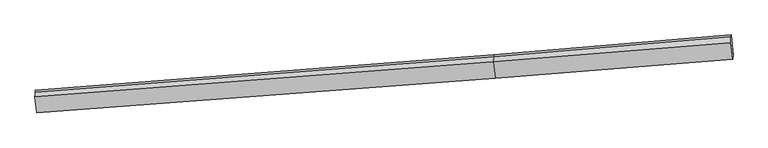
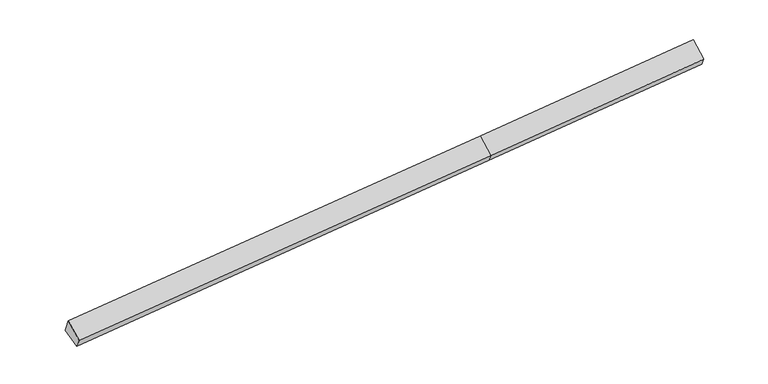
"""IFC4 building model written with IfcOpenShell, lengths in millimetres: proxy geometry."""

from ifc_helpers import new_model, si_unit, frame, origin, place, context, project, spatial, source, transform, mapped, element, save
from ifc_brep_helpers import plane_surface, spline_surface, advanced_brep


def generic_models_f710b2a6(model_context):
    return source(origin(), model_context, "Body", "AdvancedBrep", [
        advanced_brep(
        [(-13657.4720782, -2427.5300457, 1072.795019), (-13662.6651583, -2497.4482398, 1250.9489369), (2579.868561, -1231.7228639, 2210.4084973), (2585.0486087, -1161.9801356, 2032.7016721), (-13591.8815422, -3069.1858704, 812.6237435), (2651.5823104, -1812.8627154, 1768.7892373), (-13599.8321822, -3220.0816427, 1142.6087778), (2645.9895849, -1986.8253755, 2089.4213733), (-13671.2708751, -2646.2011455, 1589.0994959), (2574.550892, -1412.9448783, 2535.9120914), (11059.1358217, -1314.0648337, 2577.1977933), (11065.3295598, -1164.8982238, 2278.8699658), (10993.1368634, -458.6551131, 2565.2293563), (10987.8379491, -529.998229, 2747.0140228), (10987.6971288, -740.1843365, 3023.6885114)],
        [
            (0, 1),
            (1, 2),
            (2, 3),
            (3, 0),
            (4, 0),
            (0, 5),
            (5, 4),
            (6, 4),
            (5, 7),
            (7, 6),
            (8, 6),
            (7, 9),
            (9, 8),
            (1, 8),
            (9, 2),
            (10, 11),
            (11, 12),
            (12, 13),
            (13, 14),
            (14, 10),
            (3, 5),
            (5, 11),
            (10, 7),
            (3, 12),
            (2, 13),
            (9, 14),
        ],
        [
            plane_surface(frame((-13660.0686182, -2462.4891428, 1161.8719779), z_axis=(-0.09363931226590659, 0.9277125565144049, 0.36136005822984274), x_axis=(-0.02712453625313753, -0.365197249605248, 0.9305349152040532))),
            plane_surface(frame((-13624.6768102, -2748.357958, 942.7093813), z_axis=(0.025256193534899257, 0.377851641418454, -0.9255216160444381), x_axis=(-0.09430769200241079, 0.9225885873133721, 0.37408068352735735))),
            spline_surface(1, 1, [[(-13599.8321822, -3220.0816427, 1142.6087778), (2645.9895849, -1986.8253755, 2089.4213733)], [(-13591.8815422, -3069.1858704, 812.6237435), (2651.5823104, -1812.8627154, 1768.7892373)]], [2, 2], [2, 2], [0.0, 1.0], [0.0, 1.0]),
            plane_surface(frame((-13635.5515286, -2933.1413941, 1365.8541368), z_axis=(0.0006105693206852128, -0.6140124451060772, 0.7892961069585744), x_axis=(0.09777903139320958, -0.7854774059980477, -0.6111174238118104))),
            spline_surface(1, 1, [[(-13662.6651583, -2497.4482398, 1250.9489369), (2579.868561, -1231.7228639, 2210.4084973)], [(-13671.2708751, -2646.2011455, 1589.0994959), (2574.550892, -1412.9448783, 2535.9120914)]], [2, 2], [2, 2], [0.0, 1.0], [0.0, 1.0]),
            plane_surface(frame((11018.6274645, -841.5601472, 2638.3999299), z_axis=(0.9952078892706459, 0.07761714751719181, 0.059471300177148675), x_axis=(0.018566396828884082, 0.44714297487765586, -0.8942697853144499))),
            plane_surface(frame((-13636.6243672, -2772.0893888, 1173.6151946), z_axis=(-0.9952078892706463, -0.0776171475171921, -0.05947130017714106), x_axis=(0.02712453625313485, 0.36519724960524735, -0.9305349152040536))),
            plane_surface(frame((-13657.4720782, -2427.5300457, 1072.795019), z_axis=(0.025256193534899395, 0.3778516414184514, -0.925521616044439), x_axis=(-0.09430769200241008, 0.9225885873133732, 0.3740806835273548))),
            spline_surface(1, 1, [[(2645.9895849, -1986.8253755, 2089.4213733), (11059.1358217, -1314.0648337, 2577.1977933)], [(2651.5823104, -1812.8627154, 1768.7892373), (11065.3295598, -1164.8982238, 2278.8699658)]], [2, 2], [2, 2], [0.0, 1.0], [0.0, 1.0]),
            plane_surface(frame((2618.3154596, -1487.4214255, 1900.7454547), z_axis=(0.02699337508552664, 0.37798693302384423, -0.9254173308106566), x_axis=(-0.09430769200241337, 0.9225885873133726, 0.37408068352735563))),
            plane_surface(frame((2582.4585849, -1196.8514998, 2121.5550847), z_axis=(-0.10041667272183222, 0.9271642414763314, 0.3609473107907798), x_axis=(-0.027124536253140513, -0.3651972496052482, 0.9305349152040531))),
            spline_surface(1, 1, [[(2579.868561, -1231.7228639, 2210.4084973), (10987.8379491, -529.998229, 2747.0140228)], [(2574.550892, -1412.9448783, 2535.9120914), (10987.6971288, -740.1843365, 3023.6885114)]], [2, 2], [2, 2], [0.0, 1.0], [0.0, 1.0]),
            plane_surface(frame((2610.2702385, -1699.8851269, 2312.6667324), z_axis=(0.003311811187519789, -0.6137996938907283, 0.7894548547487097), x_axis=(0.09777903139320962, -0.785477405998048, -0.6111174238118099))),
        ],
        [
            (0, [[1, 2, 3, 4]]),
            (1, [[5, 6, 7]]),
            (2, [[8, -7, 9, 10]]),
            (3, [[11, -10, 12, 13]]),
            (4, [[14, -13, 15, -2]]),
            (5, [[16, 17, 18, 19, 20]]),
            (6, [[-1, -5, -8, -11, -14]]),
            (7, [[21, -6, -4]]),
            (8, [[-9, 22, -16, 23]]),
            (9, [[-21, 24, -17, -22]]),
            (10, [[-3, 25, -18, -24]]),
            (11, [[-15, 26, -19, -25]]),
            (12, [[-12, -23, -20, -26]]),
        ],
    ),
    ])


if __name__ == "__main__":
    model = new_model("IFC4")
    model_context = context("Model", 3, world=origin())
    ifc_project = project(units=[si_unit("LENGTHUNIT", "METRE", prefix="MILLI")], contexts=[model_context])
    site = spatial("IfcSite", under=ifc_project)
    building = spatial("IfcBuilding", under=site)
    placement = place(None, origin())
    generic_models_shape = generic_models_f710b2a6(model_context)
    element("IfcBuildingElementProxy", 1, Name="Generic Models", at=placement, inside=building, context=model_context, shape_type="MappedRepresentation", body=[
        mapped(generic_models_shape, transform((0.0, 0.0, 0.0), x_axis=(1.0, 0.0, 0.0), y_axis=(0.0, 1.0, 0.0), z_axis=(0.0, 0.0, 1.0))),
    ])
    save(model, "model.ifc")
